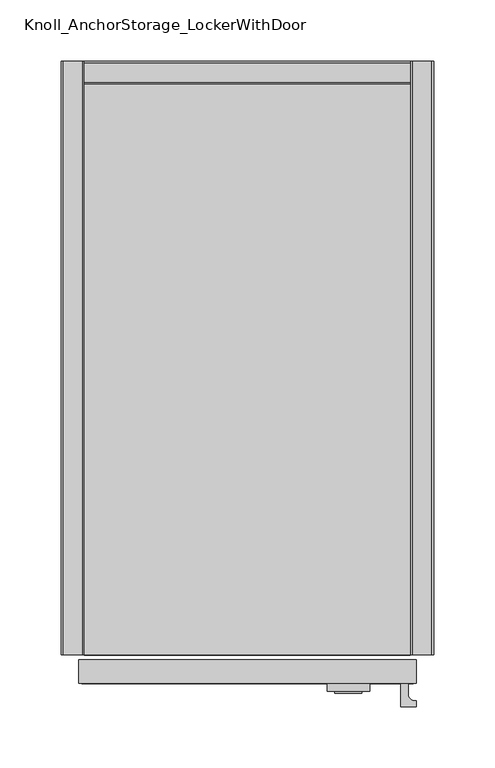
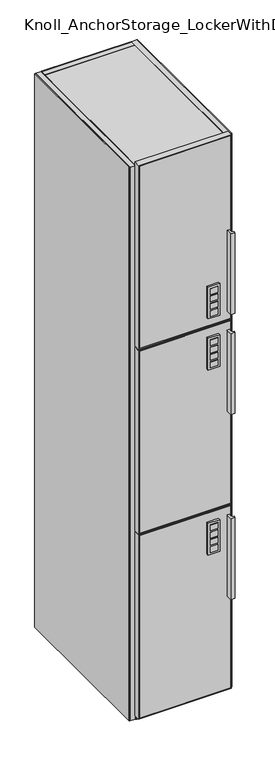
"""IFC4 building model written with IfcOpenShell, lengths in millimetres: furniture geometry, Knoll_AnchorStorage_LockerWithDoor."""

from ifc_helpers import new_model, si_unit, point, frame, frame_2d, origin, origin_with_axes, place, context, project, spatial, polyline, circle_curve, trimmed, segment, composite_curve, outline, extrude, source, transform, mapped, element, save


def knoll_anchorstorage_lockerwithdoor_4f432206(model_context):
    return source(origin(), model_context, "Body", "SweptSolid", [
        extrude(outline(polyline([(246.0663964, -516.8391961), (223.9683947, -516.8391961), (223.9683947, -515.2389961), (246.0663964, -515.2389961), (246.0663964, -516.8391961)])), frame((0.0, 0.0, 1221.762375), z_axis=(0.0, 0.0, 1.0), x_axis=(1.0, 0.0, 0.0)), (0.0, 0.0, 1.0), 18.034001),
        extrude(outline(polyline([(246.0663964, -516.8391961), (223.9683947, -516.8391961), (223.9683947, -515.2389961), (246.0663964, -515.2389961), (246.0663964, -516.8391961)])), frame((0.0, 0.0, 1244.8763711), z_axis=(0.0, 0.0, 1.0), x_axis=(1.0, 0.0, 0.0)), (0.0, 0.0, 1.0), 17.779983),
        extrude(outline(polyline([(246.0663964, -516.8391961), (223.9683947, -516.8391961), (223.9683947, -515.2389961), (246.0663964, -515.2389961), (246.0663964, -516.8391961)])), frame((0.0, 0.0, 1267.7363493), z_axis=(0.0, 0.0, 1.0), x_axis=(1.0, 0.0, 0.0)), (0.0, 0.0, 1.0), 17.779983),
        extrude(outline(polyline([(246.0663964, -516.8391961), (223.9683947, -516.8391961), (223.9683947, -515.2389961), (246.0663964, -515.2389961), (246.0663964, -516.8391961)])), frame((0.0, 0.0, 1290.5963638), z_axis=(0.0, 0.0, 1.0), x_axis=(1.0, 0.0, 0.0)), (0.0, 0.0, 1.0), 18.034001),
        extrude(outline(polyline([(252.4163948, -515.2389961), (217.6183917, -515.2389961), (217.6183917, -508.8889961), (252.4163948, -508.8889961), (252.4163948, -515.2389961)])), frame((0.0, 0.0, 1215.4123628), z_axis=(0.0, 0.0, 1.0), x_axis=(1.0, 0.0, 0.0)), (0.0, 0.0, 1.0), 99.5679777),
        extrude(outline(polyline([(246.0663964, -516.8391961), (223.9683947, -516.8391961), (223.9683947, -515.2389961), (246.0663964, -515.2389961), (246.0663964, -516.8391961)])), frame((0.0, 0.0, 1060.9972841), z_axis=(0.0, 0.0, 1.0), x_axis=(1.0, 0.0, 0.0)), (0.0, 0.0, 1.0), 18.034001),
        extrude(outline(polyline([(246.0663964, -516.8391961), (223.9683947, -516.8391961), (223.9683947, -515.2389961), (246.0663964, -515.2389961), (246.0663964, -516.8391961)])), frame((0.0, 0.0, 1084.1112802), z_axis=(0.0, 0.0, 1.0), x_axis=(1.0, 0.0, 0.0)), (0.0, 0.0, 1.0), 17.779983),
        extrude(outline(polyline([(246.0663964, -516.8391961), (223.9683947, -516.8391961), (223.9683947, -515.2389961), (246.0663964, -515.2389961), (246.0663964, -516.8391961)])), frame((0.0, 0.0, 1106.9712584), z_axis=(0.0, 0.0, 1.0), x_axis=(1.0, 0.0, 0.0)), (0.0, 0.0, 1.0), 17.779983),
        extrude(outline(polyline([(246.0663964, -516.8391961), (223.9683947, -516.8391961), (223.9683947, -515.2389961), (246.0663964, -515.2389961), (246.0663964, -516.8391961)])), frame((0.0, 0.0, 1129.8312729), z_axis=(0.0, 0.0, 1.0), x_axis=(1.0, 0.0, 0.0)), (0.0, 0.0, 1.0), 18.034001),
        extrude(outline(polyline([(252.4163948, -515.2389961), (217.6183917, -515.2389961), (217.6183917, -508.8889961), (252.4163948, -508.8889961), (252.4163948, -515.2389961)])), frame((0.0, 0.0, 1054.647272), z_axis=(0.0, 0.0, 1.0), x_axis=(1.0, 0.0, 0.0)), (0.0, 0.0, 1.0), 99.5679777),
        extrude(outline(polyline([(246.0663964, -516.8391961), (223.9683947, -516.8391961), (223.9683947, -515.2389961), (246.0663964, -515.2389961), (246.0663964, -516.8391961)])), frame((0.0, 0.0, 480.8612841), z_axis=(0.0, 0.0, 1.0), x_axis=(1.0, 0.0, 0.0)), (0.0, 0.0, 1.0), 18.034001),
        extrude(outline(polyline([(246.0663964, -516.8391961), (223.9683947, -516.8391961), (223.9683947, -515.2389961), (246.0663964, -515.2389961), (246.0663964, -516.8391961)])), frame((0.0, 0.0, 503.9752802), z_axis=(0.0, 0.0, 1.0), x_axis=(1.0, 0.0, 0.0)), (0.0, 0.0, 1.0), 17.779983),
        extrude(outline(polyline([(246.0663964, -516.8391961), (223.9683947, -516.8391961), (223.9683947, -515.2389961), (246.0663964, -515.2389961), (246.0663964, -516.8391961)])), frame((0.0, 0.0, 526.8352584), z_axis=(0.0, 0.0, 1.0), x_axis=(1.0, 0.0, 0.0)), (0.0, 0.0, 1.0), 17.779983),
        extrude(outline(polyline([(246.0663964, -516.8391961), (223.9683947, -516.8391961), (223.9683947, -515.2389961), (246.0663964, -515.2389961), (246.0663964, -516.8391961)])), frame((0.0, 0.0, 549.6952729), z_axis=(0.0, 0.0, 1.0), x_axis=(1.0, 0.0, 0.0)), (0.0, 0.0, 1.0), 18.034001),
        extrude(outline(polyline([(252.4163948, -515.2389961), (217.6183917, -515.2389961), (217.6183917, -508.8889961), (252.4163948, -508.8889961), (252.4163948, -515.2389961)])), frame((0.0, 0.0, 474.511272), z_axis=(0.0, 0.0, 1.0), x_axis=(1.0, 0.0, 0.0)), (0.0, 0.0, 1.0), 99.5679777),
        extrude(outline(composite_curve([segment(polyline([(277.7235994, -527.9389961), (277.7235994, -508.8889961), (283.9466003, -508.8889961), (283.9466003, -518.0838152)]), True, "CONTINUOUS"), segment(trimmed(circle_curve(frame_2d((289.0266003, -518.0838152)), 5.08), [point((283.9466003, -518.0838152))], [point((289.0266003, -523.1638152))], True, "CARTESIAN"), True, "CONTINUOUS"), segment(polyline([(289.0266003, -523.1638152), (290.4235998, -523.1638152), (290.4235998, -527.9389961), (277.7235994, -527.9389961)]), True, "CONTINUOUS")], self_intersect=False)), frame((0.0, 0.0, 321.7333333), z_axis=(0.0, 0.0, 1.0), x_axis=(1.0, 0.0, 0.0)), (0.0, 0.0, 1.0), 254.0),
        extrude(outline(composite_curve([segment(polyline([(277.7235994, -527.9389961), (277.7235994, -508.8889961), (283.9466003, -508.8889961), (283.9466003, -518.0838152)]), True, "CONTINUOUS"), segment(trimmed(circle_curve(frame_2d((289.0266003, -518.0838152)), 5.08), [point((283.9466003, -518.0838152))], [point((289.0266003, -523.1638152))], True, "CARTESIAN"), True, "CONTINUOUS"), segment(polyline([(289.0266003, -523.1638152), (290.4235998, -523.1638152), (290.4235998, -527.9389961), (277.7235994, -527.9389961)]), True, "CONTINUOUS")], self_intersect=False)), frame((0.0, 0.0, 901.8693333), z_axis=(0.0, 0.0, 1.0), x_axis=(1.0, 0.0, 0.0)), (0.0, 0.0, 1.0), 254.0),
        extrude(outline(polyline([(16.8402, -489.8389961), (287.9598, -489.8389961), (287.9598, -508.8889961), (16.8402, -508.8889961), (16.8402, -489.8389961)])), frame((0.0, 0.0, 29.3370013), z_axis=(0.0, 0.0, 1.0), x_axis=(1.0, 0.0, 0.0)), (0.0, 0.0, 1.0), 571.8175),
        extrude(outline(polyline([(16.8402, -489.8389961), (287.9598, -489.8389961), (287.9598, -508.8889961), (16.8402, -508.8889961), (16.8402, -489.8389961)])), frame((0.0, 0.0, 609.4095013), z_axis=(0.0, 0.0, 1.0), x_axis=(1.0, 0.0, 0.0)), (0.0, 0.0, 1.0), 571.7963321),
        extrude(outline(polyline([(16.8402, -489.8389961), (287.9598, -489.8389961), (287.9598, -508.8889961), (16.8402, -508.8889961), (16.8402, -489.8389961)])), frame((0.0, 0.0, 1189.4608333), z_axis=(0.0, 0.0, 1.0), x_axis=(1.0, 0.0, 0.0)), (0.0, 0.0, 1.0), 571.7751667),
        extrude(outline(polyline([(603.6945013, 290.4998), (603.6945013, 14.3002), (26.7970013, 14.3002), (26.7970013, 290.4998), (603.6945013, 290.4998)]), holes=[polyline([(29.3370013, 287.9598), (29.3370013, 16.8402), (601.1545013, 16.8402), (601.1545013, 287.9598), (29.3370013, 287.9598)])]), frame((0.0, -508.8889961, 0.0), z_axis=(0.0, 1.0, 0.0), x_axis=(0.0, 0.0, 1.0)), (0.0, 0.0, 1.0), 19.05),
        extrude(outline(polyline([(1183.7458333, 290.4998), (1183.7458333, 14.3002), (606.8695013, 14.3002), (606.8695013, 290.4998), (1183.7458333, 290.4998)]), holes=[polyline([(609.4095013, 287.9598), (609.4095013, 16.8402), (1181.2058333, 16.8402), (1181.2058333, 287.9598), (609.4095013, 287.9598)])]), frame((0.0, -508.8889961, 0.0), z_axis=(0.0, 1.0, 0.0), x_axis=(0.0, 0.0, 1.0)), (0.0, 0.0, 1.0), 19.05),
        extrude(outline(polyline([(1763.776, 290.4998), (1763.776, 14.3002), (1186.9208333, 14.3002), (1186.9208333, 290.4998), (1763.776, 290.4998)]), holes=[polyline([(1189.4608333, 287.9598), (1189.4608333, 16.8402), (1761.236, 16.8402), (1761.236, 287.9598), (1189.4608333, 287.9598)])]), frame((0.0, -508.8889961, 0.0), z_axis=(0.0, 1.0, 0.0), x_axis=(0.0, 0.0, 1.0)), (0.0, 0.0, 1.0), 19.05),
        extrude(outline(composite_curve([segment(trimmed(circle_curve(frame_2d((289.1028003, -518.0838152)), 5.08), [point((284.0228003, -518.0838152))], [point((289.1028003, -523.1638152))], True, "CARTESIAN"), True, "CONTINUOUS"), segment(polyline([(289.1028003, -523.1638152), (290.4997998, -523.1638152), (290.4997998, -527.9389961), (277.7997994, -527.9389961), (277.7997994, -508.8889961), (284.0228003, -508.8889961), (284.0228003, -518.0838152)]), True, "CONTINUOUS")], self_intersect=False)), frame((0.0, 0.0, 1214.8820242), z_axis=(0.0, 0.0, 1.0), x_axis=(1.0, 0.0, 0.0)), (0.0, 0.0, 1.0), 253.9999758),
        extrude(outline(polyline([(285.75, -485.775), (19.05, -485.775), (19.05, -19.05), (285.75, -19.05), (285.75, -485.775)])), frame((0.0, 0.0, 1175.6813333), z_axis=(0.0, 0.0, 1.0), x_axis=(1.0, 0.0, 0.0)), (0.0, 0.0, 1.0), 19.05),
        extrude(outline(polyline([(285.75, -485.775), (19.05, -485.775), (19.05, 0.0), (285.75, 0.0), (285.75, -485.775)])), frame((0.0, 0.0, 14.4780005), z_axis=(0.0, 0.0, 1.0), x_axis=(1.0, 0.0, 0.0)), (0.0, 0.0, 1.0), 27.0510008),
        extrude(outline(polyline([(285.75, -485.775), (19.05, -485.775), (19.05, 0.0), (285.75, 0.0), (285.75, -485.775)])), frame((0.0, 0.0, 12.5730005), z_axis=(0.0, 0.0, 1.0), x_axis=(1.0, 0.0, 0.0)), (0.0, 0.0, 1.0), 1.905),
        extrude(outline(polyline([(285.75, -485.775), (19.05, -485.775), (19.05, -19.05), (285.75, -19.05), (285.75, -485.775)])), frame((0.0, 0.0, 595.7570013), z_axis=(0.0, 0.0, 1.0), x_axis=(1.0, 0.0, 0.0)), (0.0, 0.0, 1.0), 19.05),
        extrude(outline(polyline([(285.75, -485.775), (19.05, -485.775), (19.05, -19.05), (285.75, -19.05), (285.75, -485.775)])), frame((0.0, 0.0, 1729.994), z_axis=(0.0, 0.0, 1.0), x_axis=(1.0, 0.0, 0.0)), (0.0, 0.0, 1.0), 19.05),
        extrude(outline(polyline([(285.75, -1.905), (285.75, -17.145), (19.05, -17.145), (19.05, -1.905), (285.75, -1.905)])), frame((0.0, 0.0, 41.5290013), z_axis=(0.0, 0.0, 1.0), x_axis=(1.0, 0.0, 0.0)), (0.0, 0.0, 1.0), 1707.5149987),
        extrude(outline(polyline([(285.75, 0.0), (285.75, -1.905), (19.05, -1.905), (19.05, 0.0), (285.75, 0.0)])), frame((0.0, 0.0, 41.5290013), z_axis=(0.0, 0.0, 1.0), x_axis=(1.0, 0.0, 0.0)), (0.0, 0.0, 1.0), 1707.5149987),
        extrude(outline(polyline([(285.75, -17.145), (285.75, -19.05), (19.05, -19.05), (19.05, -17.145), (285.75, -17.145)])), frame((0.0, 0.0, 41.5290013), z_axis=(0.0, 0.0, 1.0), x_axis=(1.0, 0.0, 0.0)), (0.0, 0.0, 1.0), 1707.5149987),
        extrude(outline(polyline([(17.145, 0.0), (17.145, -485.775), (1.905, -485.775), (1.905, 0.0), (17.145, 0.0)])), frame((0.0, 0.0, 12.5730005), z_axis=(0.0, 0.0, 1.0), x_axis=(1.0, 0.0, 0.0)), (0.0, 0.0, 1.0), 1736.4709995),
        extrude(outline(polyline([(302.895, 0.0), (302.895, -485.775), (287.655, -485.775), (287.655, 0.0), (302.895, 0.0)])), frame((0.0, 0.0, 12.5730005), z_axis=(0.0, 0.0, 1.0), x_axis=(1.0, 0.0, 0.0)), (0.0, 0.0, 1.0), 1736.4709995),
        extrude(outline(polyline([(1.905, 0.0), (1.905, -485.775), (0.0, -485.775), (0.0, 0.0), (1.905, 0.0)])), frame((0.0, 0.0, 12.5730005), z_axis=(0.0, 0.0, 1.0), x_axis=(1.0, 0.0, 0.0)), (0.0, 0.0, 1.0), 1736.4709995),
        extrude(outline(polyline([(19.05, 0.0), (19.05, -485.775), (17.145, -485.775), (17.145, 0.0), (19.05, 0.0)])), frame((0.0, 0.0, 12.5730005), z_axis=(0.0, 0.0, 1.0), x_axis=(1.0, 0.0, 0.0)), (0.0, 0.0, 1.0), 1736.4709995),
        extrude(outline(polyline([(302.895, 0.0), (304.8, 0.0), (304.8, -485.775), (302.895, -485.775), (302.895, 0.0)])), frame((0.0, 0.0, 12.5730005), z_axis=(0.0, 0.0, 1.0), x_axis=(1.0, 0.0, 0.0)), (0.0, 0.0, 1.0), 1736.4709995),
        extrude(outline(polyline([(285.75, 0.0), (287.655, 0.0), (287.655, -485.775), (285.75, -485.775), (285.75, 0.0)])), frame((0.0, 0.0, 12.5730005), z_axis=(0.0, 0.0, 1.0), x_axis=(1.0, 0.0, 0.0)), (0.0, 0.0, 1.0), 1736.4709995),
        extrude(outline(composite_curve([segment(trimmed(circle_curve(frame_2d((31.7499992, -44.4499985)), 12.7000015), [point((44.4500008, -44.4499985))], [point((19.0499977, -44.4499985))], False, "CARTESIAN"), True, "CONTINUOUS"), segment(trimmed(circle_curve(frame_2d((31.7499992, -44.4499985)), 12.7000015), [point((19.0499977, -44.4499985))], [point((44.4500008, -44.4499985))], False, "CARTESIAN"), True, "CONTINUOUS")], self_intersect=False)), origin_with_axes(), (0.0, 0.0, 1.0), 12.5730005),
        extrude(outline(composite_curve([segment(trimmed(circle_curve(frame_2d((273.05, -44.4499985)), 12.7000015), [point((285.7500015, -44.4499985))], [point((260.3499985, -44.4499985))], False, "CARTESIAN"), True, "CONTINUOUS"), segment(trimmed(circle_curve(frame_2d((273.05, -44.4499985)), 12.7000015), [point((260.3499985, -44.4499985))], [point((285.7500015, -44.4499985))], False, "CARTESIAN"), True, "CONTINUOUS")], self_intersect=False)), origin_with_axes(), (0.0, 0.0, 1.0), 12.5730005),
        extrude(outline(composite_curve([segment(trimmed(circle_curve(frame_2d((273.05, -460.3749879)), 12.7000015), [point((285.7500015, -460.3749879))], [point((260.3499985, -460.3749879))], False, "CARTESIAN"), True, "CONTINUOUS"), segment(trimmed(circle_curve(frame_2d((273.05, -460.3749879)), 12.7000015), [point((260.3499985, -460.3749879))], [point((285.7500015, -460.3749879))], False, "CARTESIAN"), True, "CONTINUOUS")], self_intersect=False)), origin_with_axes(), (0.0, 0.0, 1.0), 12.5730005),
        extrude(outline(composite_curve([segment(trimmed(circle_curve(frame_2d((31.7499992, -460.3749879)), 12.7000015), [point((44.4500008, -460.3749879))], [point((19.0499977, -460.3749879))], False, "CARTESIAN"), True, "CONTINUOUS"), segment(trimmed(circle_curve(frame_2d((31.7499992, -460.3749879)), 12.7000015), [point((19.0499977, -460.3749879))], [point((44.4500008, -460.3749879))], False, "CARTESIAN"), True, "CONTINUOUS")], self_intersect=False)), origin_with_axes(), (0.0, 0.0, 1.0), 12.5730005),
    ])


if __name__ == "__main__":
    model = new_model("IFC4")
    model_context = context("Model", 3, world=origin())
    ifc_project = project(units=[si_unit("LENGTHUNIT", "METRE", prefix="MILLI")], contexts=[model_context])
    site = spatial("IfcSite", under=ifc_project)
    building = spatial("IfcBuilding", under=site)
    placement = place(None, origin())
    knoll_anchorstorage_lockerwithdoor_shape = knoll_anchorstorage_lockerwithdoor_4f432206(model_context)
    element("IfcFurniture", 1, ObjectType="Knoll_AnchorStorage_LockerWithDoor", at=placement, inside=building, context=model_context, shape_type="MappedRepresentation", body=[
        mapped(knoll_anchorstorage_lockerwithdoor_shape, transform((0.0, 0.0, 0.0), x_axis=(1.0, 0.0, 0.0), y_axis=(0.0, 1.0, 0.0), z_axis=(0.0, 0.0, 1.0))),
    ])
    save(model, "model.ifc")
